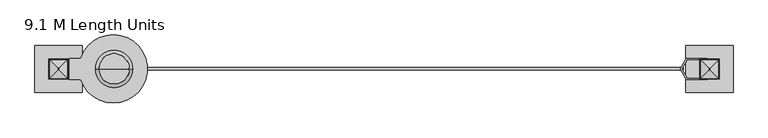
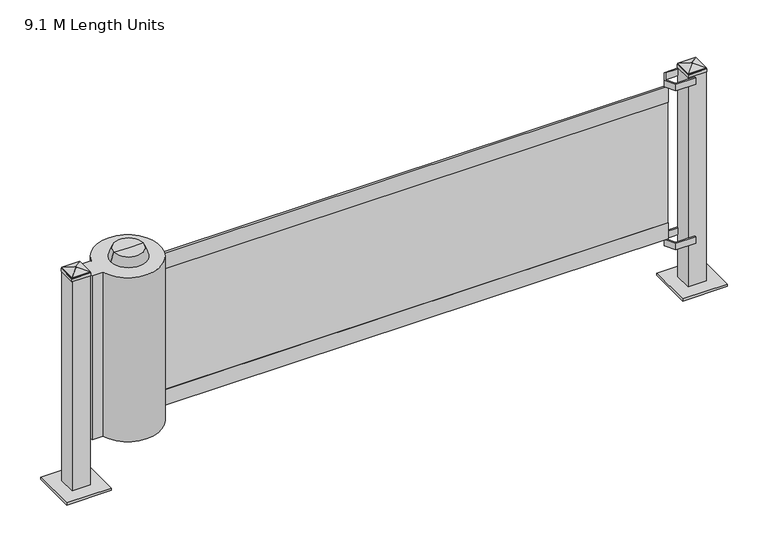
"""IFC4 building model written with IfcOpenShell, lengths in millimetres: proxy geometry, 9.1 M Length Units."""

import ifcopenshell
import ifcopenshell.guid

model = None  # the IFC model being written
_history = None  # IfcOwnerHistory: only IFC2X3 demands one
_inside = {}  # id of a spatial element -> (the spatial element, [elements in it])
_under = {}  # id of a project, library or spatial element -> (it, [spatial elements below it])
_declared = {}  # id of a project -> (the project, [libraries it declares])
_typed = {}  # id of a type object -> (the type object, [elements of that type])
_made_of = {}  # id of a material, layer set ... -> (it, [elements and type objects made of it])


def new_model(schema):
    """Start an empty IFC model of exactly this schema.

    Asked for "IFC4X3", IfcOpenShell would pick the latest addendum, in which some entities
    have other attributes; the version numbers below select the first issue.
    IFC2X3 requires an IfcOwnerHistory on every rooted entity: one is made here for all.
    """
    global model, _history
    if schema == "IFC4X3":
        model = ifcopenshell.file(schema_version=(4, 3, 0, 0))
    else:
        model = ifcopenshell.file(schema=schema)
    _inside.clear()
    _under.clear()
    _declared.clear()
    _typed.clear()
    _made_of.clear()
    _history = None
    if model.schema == "IFC2X3":
        org = make("IfcOrganization", Name="unknown")
        user = make(
            "IfcPersonAndOrganization",
            ThePerson=make("IfcPerson", FamilyName="unknown"),
            TheOrganization=org,
        )
        app = make(
            "IfcApplication",
            ApplicationDeveloper=org,
            Version="unknown",
            ApplicationFullName="unknown",
            ApplicationIdentifier="unknown",
        )
        _history = make(
            "IfcOwnerHistory",
            OwningUser=user,
            OwningApplication=app,
            ChangeAction="ADDED",
            CreationDate=0,
        )
    return model


def make(cls, **values):
    """One entity of the class cls with the attributes given. An attribute that is None is left unset."""
    return model.create_entity(
        cls, **{name: value for name, value in values.items() if value is not None}
    )


def rooted(cls, **values):
    """An entity with a GlobalId (a new one), such as an element, a storey or a relation."""
    return make(cls, GlobalId=ifcopenshell.guid.new(), OwnerHistory=_history, **values)


def si_unit(unit_type, name, prefix=None):
    """IfcSIUnit, for example si_unit("LENGTHUNIT", "METRE", prefix="MILLI")."""
    return make("IfcSIUnit", UnitType=unit_type, Prefix=prefix, Name=name)


def assignment(units):
    """IfcUnitAssignment: the units of a project."""
    return None if units is None else make("IfcUnitAssignment", Units=units)


def point(xyz):
    """IfcCartesianPoint."""
    return None if xyz is None else make("IfcCartesianPoint", Coordinates=xyz)


def direction(xyz):
    """IfcDirection."""
    return None if xyz is None else make("IfcDirection", DirectionRatios=xyz)


def frame(location, z_axis=None, x_axis=None):
    """IfcAxis2Placement3D, a coordinate frame: its origin and axes. An axis left out is left unset."""
    return make(
        "IfcAxis2Placement3D",
        Location=point(location),
        Axis=direction(z_axis),
        RefDirection=direction(x_axis),
    )


def frame_2d(location, x_axis=None):
    """IfcAxis2Placement2D, a coordinate frame in the plane: its origin and x axis."""
    return make(
        "IfcAxis2Placement2D", Location=point(location), RefDirection=direction(x_axis)
    )


def origin():
    """The frame at (0, 0, 0) with its axes left unset."""
    return frame((0.0, 0.0, 0.0))


def place(relative_to, where):
    """IfcLocalPlacement: puts the frame where relative to a parent placement (None: the world)."""
    return make(
        "IfcLocalPlacement", PlacementRelTo=relative_to, RelativePlacement=where
    )


def context(
    kind, dimensions, precision=None, world=None, true_north=None, identifier=None
):
    """IfcGeometricRepresentationContext, for example the 3D "Model" context."""
    return make(
        "IfcGeometricRepresentationContext",
        ContextIdentifier=identifier,
        ContextType=kind,
        CoordinateSpaceDimension=dimensions,
        Precision=precision,
        WorldCoordinateSystem=world,
        TrueNorth=true_north,
    )


def project(units=None, contexts=None):
    """IfcProject with its units and contexts."""
    return rooted(
        "IfcProject",
        Name="project",
        RepresentationContexts=contexts,
        UnitsInContext=assignment(units),
    )


def spatial(cls, under=None, at=None, **own):
    """A site, building, storey or space (cls), placed at a placement, below another one or the project."""
    s = rooted(cls, ObjectPlacement=at, **own)
    if under is not None:
        _under.setdefault(under.id(), (under, []))[1].append(s)
    return s


def polyline(points):
    """IfcPolyline through the points."""
    return make("IfcPolyline", Points=[point(p) for p in points])


def circle_curve(where, radius):
    """IfcCircle in the frame where."""
    return make("IfcCircle", Position=where, Radius=radius)


def trimmed(basis, trim1, trim2, sense, master):
    """IfcTrimmedCurve: the piece of a basis curve between two trims."""
    return make(
        "IfcTrimmedCurve",
        BasisCurve=basis,
        Trim1=trim1,
        Trim2=trim2,
        SenseAgreement=sense,
        MasterRepresentation=master,
    )


def segment(curve, same_sense, transition):
    """IfcCompositeCurveSegment."""
    return make(
        "IfcCompositeCurveSegment",
        Transition=transition,
        SameSense=same_sense,
        ParentCurve=curve,
    )


def composite_curve(segments, self_intersect=None):
    """IfcCompositeCurve: segments joined end to end."""
    return make("IfcCompositeCurve", Segments=segments, SelfIntersect=self_intersect)


def outline(outer, holes=None, kind="AREA"):
    """IfcArbitraryClosedProfileDef: a profile drawn as a closed curve; with holes, ...WithVoids."""
    if holes is None:
        return make("IfcArbitraryClosedProfileDef", ProfileType=kind, OuterCurve=outer)
    return make(
        "IfcArbitraryProfileDefWithVoids",
        ProfileType=kind,
        OuterCurve=outer,
        InnerCurves=holes,
    )


def extrude(swept, where, along, depth):
    """IfcExtrudedAreaSolid: the profile swept, set in the frame where, extruded along a direction by depth."""
    return make(
        "IfcExtrudedAreaSolid",
        SweptArea=swept,
        Position=where,
        ExtrudedDirection=direction(along),
        Depth=depth,
    )


def faces_of(points, faces, orient=None, outer=None):
    """IfcFace entities. A face is a list of loops; a loop is a list of indices into points, from 0.

    orient and outer hold one flag for each loop. By default every Orientation is true, the
    first loop of a face is its IfcFaceOuterBound and the others are IfcFaceBound.
    """
    made = []
    for i, loops in enumerate(faces):
        bounds = []
        for j, loop in enumerate(loops):
            is_outer = j == 0 if outer is None else outer[i][j]
            bounds.append(
                make(
                    "IfcFaceOuterBound" if is_outer else "IfcFaceBound",
                    Bound=make("IfcPolyLoop", Polygon=[points[k] for k in loop]),
                    Orientation=True if orient is None else orient[i][j],
                )
            )
        made.append(make("IfcFace", Bounds=bounds))
    return made


def faceted_brep(points, faces, orient=None, outer=None, voids=None):
    """IfcFacetedBrep: a solid bounded by flat faces; with voids (closed shells), ...WithVoids."""
    shared = [point(p) for p in points]
    hull = make("IfcClosedShell", CfsFaces=faces_of(shared, faces, orient, outer))
    if voids is None:
        return make("IfcFacetedBrep", Outer=hull)
    return make(
        "IfcFacetedBrepWithVoids",
        Outer=hull,
        Voids=[
            make(cls, CfsFaces=faces_of(shared, fs, o, b)) for cls, fs, o, b in voids
        ],
    )


def shape(context_of_items, identifier, shape_type, items):
    """IfcShapeRepresentation: the items that make up one representation, for example the "Body"."""
    return make(
        "IfcShapeRepresentation",
        ContextOfItems=context_of_items,
        RepresentationIdentifier=identifier,
        RepresentationType=shape_type,
        Items=items,
    )


def source(mapping_origin, context_of_items, identifier, shape_type, items):
    """IfcRepresentationMap: a shape defined once, which mapped items show again and again."""
    return make(
        "IfcRepresentationMap",
        MappingOrigin=mapping_origin,
        MappedRepresentation=shape(context_of_items, identifier, shape_type, items),
    )


def transform(
    local_origin,
    x_axis=None,
    y_axis=None,
    z_axis=None,
    scale=None,
    scale2=None,
    scale3=None,
    uniform=True,
):
    """IfcCartesianTransformationOperator3D, or its non-uniform kind. x_axis, y_axis, z_axis: its Axis1, 2, 3."""
    if uniform:
        return make(
            "IfcCartesianTransformationOperator3D",
            Axis1=direction(x_axis),
            Axis2=direction(y_axis),
            LocalOrigin=point(local_origin),
            Scale=scale,
            Axis3=direction(z_axis),
        )
    return make(
        "IfcCartesianTransformationOperator3DnonUniform",
        Axis1=direction(x_axis),
        Axis2=direction(y_axis),
        LocalOrigin=point(local_origin),
        Scale=scale,
        Axis3=direction(z_axis),
        Scale2=scale2,
        Scale3=scale3,
    )


def mapped(mapping_source, mapping_target):
    """IfcMappedItem: shows the shape of a source again, moved by a transform."""
    return make(
        "IfcMappedItem", MappingSource=mapping_source, MappingTarget=mapping_target
    )


def made_of(thing, what):
    """Note that an element or type object is made of a material, layer set ...; save() writes the relation."""
    if what is not None:
        _made_of.setdefault(what.id(), (what, []))[1].append(thing)
    return thing


def element(
    cls,
    number,
    at=None,
    inside=None,
    cuts=None,
    type_object=None,
    material=None,
    context=None,
    identifier="Body",
    shape_type=None,
    held_by="IfcProductDefinitionShape",
    body=None,
    shapes=None,
    **own,
):
    """One element of the class cls, such as IfcWall. Its Tag is "e" and its number.

    at: its placement. inside: the storey or other place that contains it. cuts: it is an
    opening in that element (IfcRelVoidsElement). A single representation is given by context,
    identifier, shape_type and body (its items); several are given by shapes. held_by: the class
    of the entity that holds the representations. save() writes the other relations.
    """
    e = rooted(cls, Tag="e%d" % number, ObjectPlacement=at, **own)
    if body is not None:
        shapes = [shape(context, identifier, shape_type, body)]
    if shapes is not None:
        e.Representation = make(held_by, Representations=shapes)
    if inside is not None:
        _inside.setdefault(inside.id(), (inside, []))[1].append(e)
    if cuts is not None:
        rooted(
            "IfcRelVoidsElement", RelatingBuildingElement=cuts, RelatedOpeningElement=e
        )
    if type_object is not None:
        _typed.setdefault(type_object.id(), (type_object, []))[1].append(e)
    return made_of(e, material)


def aggregate(whole, parts):
    """IfcRelAggregates: a whole, such as a stair, and the parts it consists of."""
    return rooted("IfcRelAggregates", RelatingObject=whole, RelatedObjects=parts)


def save(model, path):
    """Write the relations noted so far, then the file.

    IfcRelAggregates (storeys below a building ...), IfcRelContainedInSpatialStructure (elements
    in a storey), IfcRelDefinesByType, IfcRelAssociatesMaterial and IfcRelDeclares: one each for
    every whole, place, type object, material and project.
    """
    for whole, parts in _under.values():
        aggregate(whole, parts)
    for where, things in _inside.values():
        rooted(
            "IfcRelContainedInSpatialStructure",
            RelatedElements=things,
            RelatingStructure=where,
        )
    for kind, things in _typed.values():
        rooted("IfcRelDefinesByType", RelatedObjects=things, RelatingType=kind)
    for what, things in _made_of.values():
        rooted("IfcRelAssociatesMaterial", RelatedObjects=things, RelatingMaterial=what)
    for by, libraries in _declared.values():
        rooted("IfcRelDeclares", RelatingContext=by, RelatedDefinitions=libraries)
    model.write(path)


def plane_surface(at):
    """IfcPlane: the flat surface through the origin of the frame at, square to its z axis."""
    return make("IfcPlane", Position=at)


def cylinder_surface(at, radius):
    """IfcCylindricalSurface: all points at the distance radius from the z axis of the frame at."""
    return make("IfcCylindricalSurface", Position=at, Radius=radius)


def revolved_surface(curve, axis_point, axis_direction):
    """IfcSurfaceOfRevolution: the curve turned about the line through axis_point along axis_direction."""
    return make(
        "IfcSurfaceOfRevolution",
        SweptCurve=make("IfcArbitraryOpenProfileDef", ProfileType="CURVE", Curve=curve),
        AxisPosition=make("IfcAxis1Placement", Location=point(axis_point), Axis=direction(axis_direction)),
    )


def advanced_brep(points, edges, surfaces, faces):
    """IfcAdvancedBrep: a solid bounded by faces that lie on surfaces and meet in shared edges.

    An edge is (start, end): straight between two places in points (the first is 0);
    or (start, end, curve); or (start, end, curve, False) where it runs against its curve.
    A face is (place in surfaces, loops), or (place, loops, False) where it looks against
    its surface's normal. A loop lists edges by number (the first is 1), with a minus sign
    where the edge is run from its end to its start. The first loop is the outer one.
    """
    corners = [point(p) for p in points]
    vertices = [make("IfcVertexPoint", VertexGeometry=c) for c in corners]
    made = []
    for start, end, *more in edges:
        made.append(
            make(
                "IfcEdgeCurve",
                EdgeStart=vertices[start],
                EdgeEnd=vertices[end],
                EdgeGeometry=more[0] if more else make("IfcPolyline", Points=[corners[start], corners[end]]),
                SameSense=more[1] if len(more) > 1 else True,
            )
        )
    hull = []
    for where, loops, *sense in faces:
        bounds = []
        for j, loop in enumerate(loops):
            ring = [make("IfcOrientedEdge", EdgeElement=made[abs(k) - 1], Orientation=k > 0) for k in loop]
            bounds.append(
                make(
                    "IfcFaceOuterBound" if j == 0 else "IfcFaceBound",
                    Bound=make("IfcEdgeLoop", EdgeList=ring),
                    Orientation=True,
                )
            )
        hull.append(make("IfcAdvancedFace", Bounds=bounds, FaceSurface=surfaces[where], SameSense=sense[0] if sense else True))
    return make("IfcAdvancedBrep", Outer=make("IfcClosedShell", CfsFaces=hull))


def proxy_9_1_m_length_units_c542bc26(model_context):
    return source(origin(), model_context, "Body", "SolidModel", [
        extrude(outline(polyline([(3360.3, 3.3894552), (3360.3, -3.6555747), (140.2890321, -3.6555747), (140.2890321, 3.3894552), (3360.3, 3.3894552)])), frame((0.0, 0.0, 400.0), z_axis=(0.0, 0.0, 1.0), x_axis=(1.0, 0.0, 0.0)), (0.0, 0.0, 1.0), 725.0),
        extrude(outline(polyline([(3360.3, 6.35), (3360.3, -6.35), (140.2890321, -6.35), (140.2890321, 6.35), (3360.3, 6.35)])), frame((0.0, 0.0, 305.0), z_axis=(0.0, 0.0, 1.0), x_axis=(1.0, 0.0, 0.0)), (0.0, 0.0, 1.0), 95.0),
        extrude(outline(polyline([(3360.3, 6.35), (3360.3, -6.35), (140.2890321, -6.35), (140.2890321, 6.35), (3360.3, 6.35)])), frame((0.0, 0.0, 1125.0), z_axis=(0.0, 0.0, 1.0), x_axis=(1.0, 0.0, 0.0)), (0.0, 0.0, 1.0), 95.0),
        advanced_brep(
        [(197.4396896, 0.0, 1270.0), (399.5190654, 0.0, 1270.0), (298.4793775, 0.0, 1270.0), (215.9293775, 0.0, 1320.8), (381.0293775, 0.0, 1320.8), (298.4793775, 0.0, 1320.8)],
        [
            (0, 1, circle_curve(frame((298.4793775, 0.0, 1270.0), z_axis=(0.0, 0.0, -1.0), x_axis=(1.0, 0.0, 0.0)), 101.0396879)),
            (1, 2),
            (2, 0),
            (1, 0, circle_curve(frame((298.4793775, 0.0, 1270.0), z_axis=(0.0, 0.0, -1.0), x_axis=(1.0, 0.0, 0.0)), 101.0396879)),
            (3, 4, circle_curve(frame((298.4793775, 0.0, 1320.8), z_axis=(0.0, 0.0, -1.0), x_axis=(1.0, 0.0, 0.0)), 82.55)),
            (4, 1),
            (0, 3),
            (4, 3, circle_curve(frame((298.4793775, 0.0, 1320.8), z_axis=(0.0, 0.0, -1.0), x_axis=(1.0, 0.0, 0.0)), 82.55)),
            (5, 4),
            (3, 5),
        ],
        [
            plane_surface(frame((298.4793775, 0.0, 1270.0), z_axis=(0.0, 0.0, -1.0), x_axis=(1.0, 0.0, 0.0))),
            revolved_surface(polyline([(399.5190654, 0.0, 1270.0), (381.0293775, 0.0, 1320.8)]), (298.4793775, 0.0, 1320.8), (0.0, 0.0, 1.0)),
            plane_surface(frame((298.4793775, 0.0, 1320.8), z_axis=(0.0, 0.0, 1.0), x_axis=(1.0, 0.0, 0.0))),
        ],
        [
            (0, [[1, 2, 3]]),
            (0, [[4, -3, -2]]),
            (1, [[5, 6, -1, 7]]),
            (1, [[8, -7, -4, -6]]),
            (2, [[9, -5, 10]]),
            (2, [[-10, -8, -9]]),
        ],
    ),
        advanced_brep(
        [(298.4793775, 0.0, 285.75), (361.9793775, 0.0, 285.75), (234.9793775, 0.0, 285.75), (247.6793775, 0.0, 263.2685687), (349.2793775, 0.0, 263.2685687), (298.4793775, 0.0, 263.2685687), (247.6793775, 0.0, 282.3185687), (349.2793775, 0.0, 282.3185687), (234.9793775, 0.0, 282.3185687), (361.9793775, 0.0, 282.3185687)],
        [
            (0, 1),
            (1, 2, circle_curve(frame((298.4793775, 0.0, 285.75), z_axis=(0.0, 0.0, 1.0), x_axis=(1.0, 0.0, 0.0)), 63.5)),
            (2, 0),
            (2, 1, circle_curve(frame((298.4793775, 0.0, 285.75), z_axis=(0.0, 0.0, 1.0), x_axis=(1.0, 0.0, 0.0)), 63.5)),
            (3, 4, circle_curve(frame((298.4793775, 0.0, 263.2685687), z_axis=(0.0, 0.0, -1.0), x_axis=(1.0, 0.0, 0.0)), 50.8)),
            (4, 5),
            (5, 3),
            (4, 3, circle_curve(frame((298.4793775, 0.0, 263.2685687), z_axis=(0.0, 0.0, -1.0), x_axis=(1.0, 0.0, 0.0)), 50.8)),
            (6, 7, circle_curve(frame((298.4793775, 0.0, 282.3185687), z_axis=(0.0, 0.0, -1.0), x_axis=(1.0, 0.0, 0.0)), 50.8)),
            (7, 4),
            (3, 6),
            (7, 6, circle_curve(frame((298.4793775, 0.0, 282.3185687), z_axis=(0.0, 0.0, -1.0), x_axis=(1.0, 0.0, 0.0)), 50.8)),
            (8, 9, circle_curve(frame((298.4793775, 0.0, 282.3185687), z_axis=(0.0, 0.0, -1.0), x_axis=(1.0, 0.0, 0.0)), 63.5)),
            (9, 7),
            (6, 8),
            (9, 8, circle_curve(frame((298.4793775, 0.0, 282.3185687), z_axis=(0.0, 0.0, -1.0), x_axis=(1.0, 0.0, 0.0)), 63.5)),
            (1, 9),
            (8, 2),
        ],
        [
            plane_surface(frame((298.4793775, 0.0, 285.75), z_axis=(0.0, 0.0, 1.0), x_axis=(1.0, 0.0, 0.0))),
            plane_surface(frame((298.4793775, 0.0, 263.2685687), z_axis=(0.0, 0.0, -1.0), x_axis=(1.0, 0.0, 0.0))),
            cylinder_surface(frame((298.4793775, 0.0, 1320.8), z_axis=(0.0, 0.0, 1.0), x_axis=(1.0, 0.0, 0.0)), 50.8),
            plane_surface(frame((298.4793775, 0.0, 282.3185687), z_axis=(0.0, 0.0, -1.0), x_axis=(1.0, 0.0, 0.0))),
            cylinder_surface(frame((298.4793775, 0.0, 1320.8), z_axis=(0.0, 0.0, 1.0), x_axis=(1.0, 0.0, 0.0)), 63.5),
        ],
        [
            (0, [[1, 2, 3]]),
            (0, [[-3, 4, -1]]),
            (1, [[5, 6, 7]]),
            (1, [[8, -7, -6]]),
            (2, [[9, 10, -5, 11]]),
            (2, [[12, -11, -8, -10]]),
            (3, [[13, 14, -9, 15]]),
            (3, [[16, -15, -12, -14]]),
            (4, [[-2, 17, -13, 18]]),
            (4, [[-4, -18, -16, -17]]),
        ],
    ),
        extrude(outline(composite_curve([segment(polyline([(58.9830871, -57.15), (58.9830871, 57.15), (118.875668, 57.15)]), True, "CONTINUOUS"), segment(trimmed(circle_curve(frame_2d((293.9330871, 0.0)), 184.15), [point((118.875668, 57.15))], [point((118.875668, -57.15))], False, "CARTESIAN"), True, "CONTINUOUS"), segment(polyline([(118.875668, -57.15), (58.9830871, -57.15)]), True, "CONTINUOUS")], self_intersect=False)), frame((0.0, 0.0, 285.0), z_axis=(0.0, 0.0, 1.0), x_axis=(1.0, 0.0, 0.0)), (0.0, 0.0, 1.0), 985.0),
        extrude(outline(polyline([(3379.35, 50.8), (3350.0206063, 0.0), (3379.35, -50.8), (3487.3, -50.8), (3487.3, -57.15), (3375.6838258, -57.15), (3342.6882579, 0.0), (3375.6838258, 57.15), (3487.3, 57.15), (3487.3, 50.8), (3379.35, 50.8)])), frame((0.0, 0.0, 265.0), z_axis=(0.0, 0.0, 1.0), x_axis=(1.0, 0.0, 0.0)), (0.0, 0.0, 1.0), 40.0),
        extrude(outline(polyline([(3379.35, 50.8), (3350.0206063, 0.0), (3379.35, -50.8), (3487.3, -50.8), (3487.3, -57.15), (3375.6838258, -57.15), (3342.6882579, 0.0), (3375.6838258, 57.15), (3487.3, 57.15), (3487.3, 50.8), (3379.35, 50.8)])), frame((0.0, 0.0, 1220.0), z_axis=(0.0, 0.0, 1.0), x_axis=(1.0, 0.0, 0.0)), (0.0, 0.0, 1.0), 40.0),
        faceted_brep([(3373.0, -127.0, 0.0), (3373.0, -127.0, 12.7), (3373.0, 127.0, 12.7), (3373.0, 127.0, 0.0), (3449.2, -50.8, 1293.6814727), (3495.4679613, -4.5320387, 1307.8270081), (3495.4679613, 4.5320387, 1307.8270081), (3449.2, 50.8, 1293.6814727), (3448.2104326, -51.7895674, 1288.0693569), (3448.2104326, 51.7895674, 1288.0693569), (3446.4535756, -53.5464244, 1286.3125), (3446.4535756, 53.5464244, 1286.3125), (3446.4535756, -53.5464244, 1270.0), (3446.4535756, 53.5464244, 1270.0), (3449.2, -50.8, 12.7), (3449.2, -50.8, 1270.0), (3449.2, 50.8, 1270.0), (3449.2, 50.8, 12.7), (3627.0, 127.0, 12.7), (3627.0, 127.0, 0.0), (3504.5320387, 4.5320387, 1307.8270081), (3550.8, 50.8, 1293.6814727), (3551.7895674, 51.7895674, 1288.0693569), (3553.5464244, 53.5464244, 1286.3125), (3553.5464244, 53.5464244, 1270.0), (3550.8, 50.8, 1270.0), (3550.8, 50.8, 12.7), (3627.0, -127.0, 12.7), (3627.0, -127.0, 0.0), (3504.5320387, -4.5320387, 1307.8270081), (3550.8, -50.8, 1293.6814727), (3551.7895674, -51.7895674, 1288.0693569), (3553.5464244, -53.5464244, 1286.3125), (3553.5464244, -53.5464244, 1270.0), (3550.8, -50.8, 1270.0), (3550.8, -50.8, 12.7)], [[[0, 1, 2, 3]], [[4, 5, 6, 7]], [[8, 4, 7, 9]], [[10, 8, 9, 11]], [[12, 10, 11, 13]], [[14, 15, 16, 17]], [[3, 2, 18, 19]], [[7, 6, 20, 21]], [[9, 7, 21, 22]], [[11, 9, 22, 23]], [[13, 11, 23, 24]], [[17, 16, 25, 26]], [[19, 18, 27, 28]], [[21, 20, 29, 30]], [[22, 21, 30, 31]], [[23, 22, 31, 32]], [[24, 23, 32, 33]], [[26, 25, 34, 35]], [[28, 27, 1, 0]], [[3, 19, 28, 0]], [[5, 29, 20, 6]], [[30, 29, 5, 4]], [[31, 30, 4, 8]], [[32, 31, 8, 10]], [[33, 32, 10, 12]], [[13, 24, 33, 12], [15, 34, 25, 16]], [[35, 34, 15, 14]], [[1, 27, 18, 2], [17, 26, 35, 14]]]),
        faceted_brep([(127.0, 127.0, 0.0), (127.0, 127.0, 12.7), (127.0, -127.0, 12.7), (127.0, -127.0, 0.0), (50.8, 50.8, 1293.6814727), (4.5320387, 4.5320387, 1307.8270081), (4.5320387, -4.5320387, 1307.8270081), (50.8, -50.8, 1293.6814727), (51.7895674, 51.7895674, 1288.0693569), (51.7895674, -51.7895674, 1288.0693569), (53.5464244, 53.5464244, 1286.3125), (53.5464244, -53.5464244, 1286.3125), (53.5464244, 53.5464244, 1270.0), (53.5464244, -53.5464244, 1270.0), (50.8, 50.8, 12.7), (50.8, 50.8, 1270.0), (50.8, -50.8, 1270.0), (50.8, -50.8, 12.7), (-127.0, -127.0, 12.7), (-127.0, -127.0, 0.0), (-4.5320387, -4.5320387, 1307.8270081), (-50.8, -50.8, 1293.6814727), (-51.7895674, -51.7895674, 1288.0693569), (-53.5464244, -53.5464244, 1286.3125), (-53.5464244, -53.5464244, 1270.0), (-50.8, -50.8, 1270.0), (-50.8, -50.8, 12.7), (-127.0, 127.0, 12.7), (-127.0, 127.0, 0.0), (-4.5320387, 4.5320387, 1307.8270081), (-50.8, 50.8, 1293.6814727), (-51.7895674, 51.7895674, 1288.0693569), (-53.5464244, 53.5464244, 1286.3125), (-53.5464244, 53.5464244, 1270.0), (-50.8, 50.8, 1270.0), (-50.8, 50.8, 12.7)], [[[0, 1, 2, 3]], [[4, 5, 6, 7]], [[8, 4, 7, 9]], [[10, 8, 9, 11]], [[12, 10, 11, 13]], [[14, 15, 16, 17]], [[3, 2, 18, 19]], [[7, 6, 20, 21]], [[9, 7, 21, 22]], [[11, 9, 22, 23]], [[13, 11, 23, 24]], [[17, 16, 25, 26]], [[19, 18, 27, 28]], [[21, 20, 29, 30]], [[22, 21, 30, 31]], [[23, 22, 31, 32]], [[24, 23, 32, 33]], [[26, 25, 34, 35]], [[28, 27, 1, 0]], [[3, 19, 28, 0]], [[5, 29, 20, 6]], [[30, 29, 5, 4]], [[31, 30, 4, 8]], [[32, 31, 8, 10]], [[33, 32, 10, 12]], [[13, 24, 33, 12], [15, 34, 25, 16]], [[35, 34, 15, 14]], [[1, 27, 18, 2], [17, 26, 35, 14]]]),
    ])


if __name__ == "__main__":
    model = new_model("IFC4")
    model_context = context("Model", 3, world=origin())
    ifc_project = project(units=[si_unit("LENGTHUNIT", "METRE", prefix="MILLI")], contexts=[model_context])
    site = spatial("IfcSite", under=ifc_project)
    building = spatial("IfcBuilding", under=site)
    placement = place(None, origin())
    proxy_9_1_m_length_units_shape = proxy_9_1_m_length_units_c542bc26(model_context)
    element("IfcBuildingElementProxy", 1, Name="9.1 M Length Units", ObjectType="9.1 M Length Units", at=placement, inside=building, context=model_context, shape_type="MappedRepresentation", body=[
        mapped(proxy_9_1_m_length_units_shape, transform((0.0, 0.0, 0.0), x_axis=(1.0, 0.0, 0.0), y_axis=(0.0, 1.0, 0.0), z_axis=(0.0, 0.0, 1.0))),
    ])
    save(model, "model.ifc")
